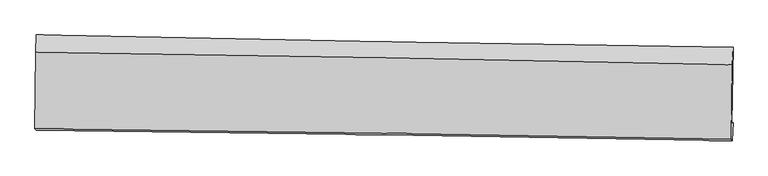
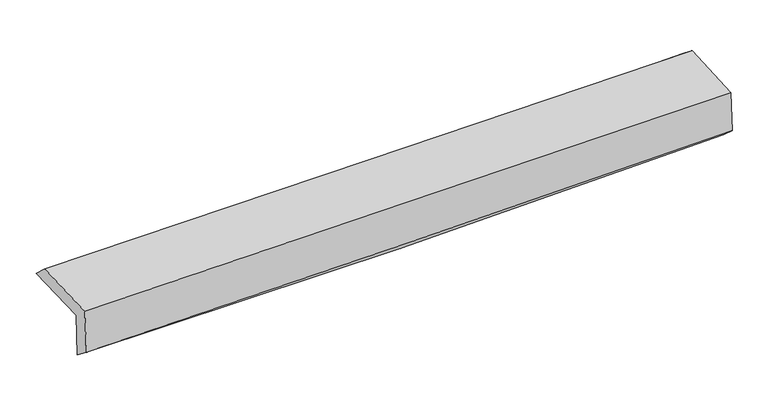
"""IFC4 building model written with IfcOpenShell, lengths in millimetres: proxy geometry."""

from ifc_helpers import new_model, si_unit, frame, origin, place, context, project, spatial, source, transform, mapped, element, save
from ifc_brep_helpers import plane_surface, spline_curve, spline_surface, advanced_brep


def generic_models_f600f839(model_context):
    return source(origin(), model_context, "Body", "AdvancedBrep", [
        advanced_brep(
        [(-2994.6875176, -1751.0910793, 1965.7002135), (-2988.3926192, -1089.0653442, 1975.5170697), (2982.2780502, -1195.8695112, 2121.6734643), (2972.1865156, -1848.0011156, 2122.220848), (-2984.9963756, -1745.3121697, 1569.769831), (2982.252399, -1841.9987445, 1710.9804496), (-2989.5982951, -1904.8065027, 1694.20304), (2976.6225862, -1995.301892, 1845.4314946), (-2999.1715822, -1892.9776186, 2092.4316631), (2967.7431333, -1984.217486, 2218.6382528), (-2993.2066025, -1238.7211156, 2112.655916), (2977.1394246, -1345.0722545, 2238.4834761)],
        [
            (0, 1),
            (1, 2, spline_curve(3, [(-2988.3926192, -1089.0653442, 1975.5170697), (-1992.746312197, -1110.027141497, 1977.757823775), (-997.316917646, -1129.409128779, 1991.060253345), (992.906550712, -1165.009877913, 2039.783530591), (1987.70071285, -1181.229279994, 2075.199899232), (2982.2780502, -1195.8695112, 2121.6734643)], [4, 2, 4], [0.0, 9.797665010676353, 19.59334634262557])),
            (2, 3),
            (3, 0, spline_curve(3, [(2972.1865156, -1848.0011156, 2122.220848), (1978.509339652, -1828.29817131, 2070.687005381), (984.481625802, -1810.371500412, 2031.876730257), (-1004.476243004, -1778.067435645, 1979.698031843), (-1999.406540704, -1763.690760891, 1966.334762214), (-2994.6875176, -1751.0910793, 1965.7002135)], [4, 2, 4], [0.0, 9.795681331949217, 19.59334634262557])),
            (4, 0),
            (3, 5),
            (5, 4, spline_curve(3, [(2982.252399, -1841.9987445, 1710.9804496), (1988.551080061, -1822.310196693, 1660.432966254), (994.480071622, -1804.409343062, 1623.391496914), (-994.60270367, -1772.179760935, 1576.315820228), (-1989.614619985, -1757.851756147, 1566.287083201), (-2984.9963756, -1745.3121697, 1569.769831)], [4, 2, 4], [0.0, 9.792829721007683, 19.587642543275784])),
            (6, 4),
            (5, 7),
            (7, 6, spline_curve(3, [(2976.6225862, -1995.301892, 1845.4314946), (1982.724301889, -1975.371473349, 1809.868875354), (988.64044158, -1957.865499906, 1779.485946287), (-1000.099777146, -1927.699387802, 1729.07436312), (-1994.75621044, -1915.040231927, 1709.047807647), (-2989.5982951, -1904.8065027, 1694.20304)], [4, 2, 4], [0.0, 9.791626151244099, 19.585235160019195])),
            (8, 6),
            (7, 9),
            (9, 8, spline_curve(3, [(2967.7431333, -1984.217486, 2218.6382528), (1973.527742298, -1963.915172756, 2195.586868586), (979.227504629, -1946.161205725, 2173.544923079), (-1009.744032815, -1915.746884454, 2131.475651124), (-2004.41536712, -1903.087562386, 2111.448733005), (-2999.1715822, -1892.9776186, 2092.4316631)], [4, 2, 4], [0.0, 9.79055718367425, 19.583097008407755])),
            (10, 8),
            (9, 11),
            (11, 10, spline_curve(3, [(2977.1394246, -1345.0722545, 2238.4834761), (1982.235387672, -1323.978462435, 2215.439356969), (987.304907502, -1304.56969796, 2193.432623672), (-1002.810424289, -1269.118635687, 2151.489683722), (-1997.995286151, -1253.077020599, 2131.553896761), (-2993.2066025, -1238.7211156, 2112.655916)], [4, 2, 4], [0.0, 9.793623860342766, 19.589230982763482])),
            (1, 10),
            (11, 2),
        ],
        [
            spline_surface(3, 3, [[(-2994.6875176, -1751.0910793, 1965.7002135), (-1999.406540635, -1763.690760919, 1966.334762151), (-1004.476243143, -1778.067435566, 1979.698031791), (984.48162594, -1810.371500491, 2031.876730309), (1978.50933951, -1828.29817126, 2070.687005544), (2972.1865156, -1848.0011156, 2122.220848)], [(-2992.589218131, -1530.415834258, 1968.972498899), (-1997.186464495, -1545.802887789, 1970.142449411), (-1002.08980136, -1561.847999908, 1983.485439031), (987.289934244, -1595.250959641, 2034.512330356), (1981.573130637, -1612.608540789, 2072.191303408), (2975.55036047, -1630.623914111, 2122.038386788)], [(-2990.490918669, -1309.740589242, 1972.244784301), (-1994.966388361, -1327.915014685, 1973.950136675), (-999.703359573, -1345.62856433, 1987.272846258), (990.098242552, -1380.13041887, 2037.14793039), (1984.636921756, -1396.918910386, 2073.695601208), (2978.91420533, -1413.246712689, 2121.855925512)], [(-2988.3926192, -1089.0653442, 1975.5170697), (-1992.746312222, -1110.027141555, 1977.757823935), (-997.31691779, -1129.409128672, 1991.060253498), (992.906550855, -1165.00987802, 2039.783530438), (1987.700712883, -1181.229279915, 2075.199899072), (2982.2780502, -1195.8695112, 2121.6734643)]], [4, 4], [4, 2, 4], [0.0, 2.123126462087608], [0.0, 9.797665010676353, 19.59334634262557]),
            spline_surface(3, 3, [[(-2984.9963756, -1745.3121697, 1569.769831), (-1989.61462005, -1757.8517562, 1566.287083281), (-994.6027036, -1772.179760807, 1576.315820161), (994.480071552, -1804.40934319, 1623.391496981), (1988.551079911, -1822.310196834, 1660.432966334), (2982.252399, -1841.9987445, 1710.9804496)], [(-2988.226756259, -1747.238472899, 1701.746625178), (-1992.878593571, -1759.798091105, 1699.636309583), (-997.893883445, -1774.142319073, 1710.776557386), (991.147256351, -1806.39672897, 1759.553241438), (1985.203833091, -1824.306188309, 1797.184312744), (2978.897104514, -1843.999534867, 1848.060582407)], [(-2991.457136941, -1749.164776101, 1833.723419322), (-1996.142567114, -1761.744426013, 1832.98553585), (-1001.185063298, -1776.1048773, 1845.237294566), (987.814441142, -1808.384114711, 1895.714985851), (1981.85658633, -1826.302179785, 1933.935659134), (2975.541810086, -1846.000325233, 1985.140715193)], [(-2994.6875176, -1751.0910793, 1965.7002135), (-1999.406540635, -1763.690760919, 1966.334762151), (-1004.476243143, -1778.067435566, 1979.698031791), (984.48162594, -1810.371500491, 2031.876730309), (1978.50933951, -1828.29817126, 2070.687005544), (2972.1865156, -1848.0011156, 2122.220848)]], [4, 4], [4, 2, 4], [0.0, 1.3323425610937008], [0.0, 9.794812822268101, 19.587642543275784]),
            spline_surface(3, 3, [[(-2989.5982951, -1904.8065027, 1694.20304), (-1994.756210339, -1915.040231935, 1709.047807732), (-1000.099777083, -1927.699387945, 1729.074363244), (988.640441517, -1957.865499763, 1779.485946163), (1982.724302025, -1975.371473469, 1809.868875499), (2976.6225862, -1995.301892, 1845.4314946)], [(-2988.064321941, -1851.641725055, 1652.725303675), (-1993.042346917, -1862.644073377, 1661.460899589), (-998.267419261, -1875.859512222, 1678.154848874), (990.586984857, -1906.713447562, 1727.454463093), (1984.66656134, -1924.351047928, 1760.05690576), (2978.499190486, -1944.200842837, 1800.614479583)], [(-2986.530348759, -1798.476947345, 1611.247567325), (-1991.328483471, -1810.247914757, 1613.873991424), (-996.435061423, -1824.019636531, 1627.235334531), (992.533528212, -1855.561395392, 1675.422980051), (1986.608820596, -1873.330622375, 1710.244936073), (2980.375794714, -1893.099793663, 1755.797464617)], [(-2984.9963756, -1745.3121697, 1569.769831), (-1989.61462005, -1757.8517562, 1566.287083281), (-994.6027036, -1772.179760807, 1576.315820161), (994.480071552, -1804.40934319, 1623.391496981), (1988.551079911, -1822.310196834, 1660.432966334), (2982.252399, -1841.9987445, 1710.9804496)]], [4, 4], [4, 2, 4], [0.0, 0.7168927320007323], [0.0, 9.793609008775096, 19.585235160019195]),
            spline_surface(3, 3, [[(-2999.1715822, -1892.9776186, 2092.4316631), (-2004.415366969, -1903.087562411, 2111.448733156), (-1009.74403282, -1915.746884414, 2131.475651062), (979.227504634, -1946.161205765, 2173.544923141), (1973.527742342, -1963.915172884, 2195.586868527), (2967.7431333, -1984.217486, 2218.6382528)], [(-2995.980486524, -1896.92057996, 1959.68878871), (-2001.195648116, -1907.071785578, 1977.315091324), (-1006.529280902, -1919.731052263, 1997.341888463), (982.365150268, -1950.062637104, 2042.191930822), (1976.593262226, -1967.733939757, 2067.014204199), (2970.702950923, -1987.912288012, 2094.236000081)], [(-2992.789390776, -1900.86354134, 1826.94591439), (-1997.975929192, -1911.056008767, 1843.181449563), (-1003.314529002, -1923.715220096, 1863.208125843), (985.502795883, -1953.964068425, 1910.838938482), (1979.658782141, -1971.552706595, 1938.441539827), (2973.662768577, -1991.607089988, 1969.833747319)], [(-2989.5982951, -1904.8065027, 1694.20304), (-1994.756210339, -1915.040231935, 1709.047807732), (-1000.099777083, -1927.699387945, 1729.074363244), (988.640441517, -1957.865499763, 1779.485946163), (1982.724302025, -1975.371473469, 1809.868875499), (2976.6225862, -1995.301892, 1845.4314946)]], [4, 4], [4, 2, 4], [0.0, 1.3074820714802475], [0.0, 9.792539824733504, 19.583097008407755]),
            spline_surface(3, 3, [[(-2993.2066025, -1238.7211156, 2112.655916), (-1997.99528627, -1253.077020493, 2131.553896599), (-1002.810424231, -1269.118635754, 2151.489683586), (987.304907444, -1304.569697893, 2193.432623807), (1982.235387733, -1323.978462301, 2215.439356868), (2977.1394246, -1345.0722545, 2238.4834761)], [(-2995.194929037, -1456.806616591, 2105.914498371), (-2000.13531314, -1469.747201123, 2124.852175456), (-1005.121627103, -1484.66138531, 2144.818339407), (984.612439832, -1518.433533853, 2186.803390247), (1979.332839267, -1537.290699176, 2208.821860737), (2974.007327498, -1558.120665014, 2231.868401649)], [(-2997.183255663, -1674.892117609, 2099.173080729), (-2002.275340099, -1686.417381781, 2118.150454298), (-1007.432829948, -1700.204134858, 2138.146995241), (981.919972247, -1732.297369805, 2180.174156701), (1976.430290808, -1750.602936009, 2202.204364657), (2970.875230402, -1771.169075486, 2225.253327251)], [(-2999.1715822, -1892.9776186, 2092.4316631), (-2004.415366969, -1903.087562411, 2111.448733156), (-1009.74403282, -1915.746884414, 2131.475651062), (979.227504634, -1946.161205765, 2173.544923141), (1973.527742342, -1963.915172884, 2195.586868527), (2967.7431333, -1984.217486, 2218.6382528)]], [4, 4], [4, 2, 4], [0.0, 2.1143799271836374], [0.0, 9.795607122420716, 19.589230982763482]),
            spline_surface(3, 3, [[(-2988.3926192, -1089.0653442, 1975.5170697), (-1992.746312222, -1110.027141555, 1977.757823935), (-997.31691779, -1129.409128672, 1991.060253498), (992.906550855, -1165.00987802, 2039.783530438), (1987.700712883, -1181.229279915, 2075.199899072), (2982.2780502, -1195.8695112, 2121.6734643)], [(-2989.997280306, -1138.950601338, 2021.230018467), (-1994.495970244, -1157.710434539, 2029.02318149), (-999.148086596, -1175.978964382, 2044.536730182), (991.039336392, -1211.529817994, 2090.999894882), (1985.878937843, -1228.812340703, 2121.946384995), (2980.56517501, -1245.60375896, 2160.610134892)], [(-2991.601941394, -1188.835858462, 2066.942967233), (-1996.245628247, -1205.39372751, 2080.288539044), (-1000.979255424, -1222.548800044, 2098.013206902), (989.172121908, -1258.04975792, 2142.216259363), (1984.057162773, -1276.395401513, 2168.692870944), (2978.85229979, -1295.33800674, 2199.546805508)], [(-2993.2066025, -1238.7211156, 2112.655916), (-1997.99528627, -1253.077020493, 2131.553896599), (-1002.810424231, -1269.118635754, 2151.489683586), (987.304907444, -1304.569697893, 2193.432623807), (1982.235387733, -1323.978462301, 2215.439356868), (2977.1394246, -1345.0722545, 2238.4834761)]], [4, 4], [4, 2, 4], [0.0, 0.6896803381088271], [0.0, 9.799413523041169, 19.59684301334363]),
            plane_surface(frame((2976.3703515, -1701.7435006, 2042.9046642), z_axis=(0.9995867748878783, -0.01544794819805645, 0.024241294637882563), x_axis=(0.02377510610157509, -0.02967896034686048, -0.9992766902327845))),
            plane_surface(frame((-2991.6754987, -1603.662305, 1901.7129556), z_axis=(-0.9996554326596482, 0.009865959367932898, -0.02432444860221881), x_axis=(-0.009507065442696085, -0.9998448875516392, -0.01482621136764722))),
        ],
        [
            (0, [[1, 2, 3, 4]]),
            (1, [[5, -4, 6, 7]]),
            (2, [[8, -7, 9, 10]]),
            (3, [[11, -10, 12, 13]]),
            (4, [[14, -13, 15, 16]]),
            (5, [[17, -16, 18, -2]]),
            (6, [[-12, -9, -6, -3, -18, -15]]),
            (7, [[-1, -5, -8, -11, -14, -17]]),
        ],
    ),
    ])


if __name__ == "__main__":
    model = new_model("IFC4")
    model_context = context("Model", 3, world=origin())
    ifc_project = project(units=[si_unit("LENGTHUNIT", "METRE", prefix="MILLI")], contexts=[model_context])
    site = spatial("IfcSite", under=ifc_project)
    building = spatial("IfcBuilding", under=site)
    placement = place(None, origin())
    generic_models_shape = generic_models_f600f839(model_context)
    element("IfcBuildingElementProxy", 1, Name="Generic Models", at=placement, inside=building, context=model_context, shape_type="MappedRepresentation", body=[
        mapped(generic_models_shape, transform((0.0, 0.0, 0.0), x_axis=(1.0, 0.0, 0.0), y_axis=(0.0, 1.0, 0.0), z_axis=(0.0, 0.0, 1.0))),
    ])
    save(model, "model.ifc")
